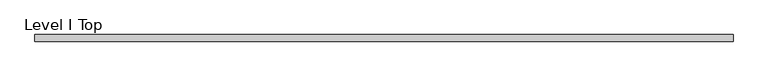
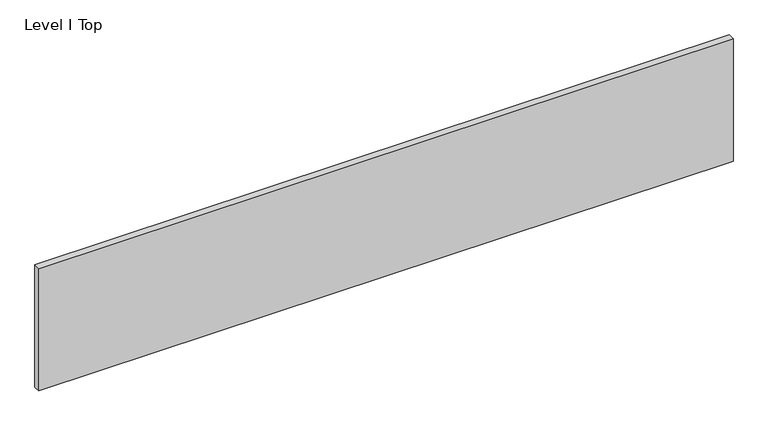
"""IFC4 building model written with IfcOpenShell, lengths in millimetres: proxy geometry, Level I Top."""

from ifc_helpers import new_model, si_unit, frame, origin, place, context, project, spatial, polyline, outline, extrude, source, transform, mapped, element, save


def level_i_top_caefc860(model_context):
    return source(origin(), model_context, "Body", "SweptSolid", [
        extrude(outline(polyline([(1005.8356344, -9.525), (-1005.8356344, -9.525), (-1005.8356344, 9.525), (1005.8356344, 9.525), (1005.8356344, -9.525)])), frame((0.0, 0.0, 3.175), z_axis=(0.0, 0.0, 1.0), x_axis=(1.0, 0.0, 0.0)), (0.0, 0.0, 1.0), 374.65),
    ])


if __name__ == "__main__":
    model = new_model("IFC4")
    model_context = context("Model", 3, world=origin())
    ifc_project = project(units=[si_unit("LENGTHUNIT", "METRE", prefix="MILLI")], contexts=[model_context])
    site = spatial("IfcSite", under=ifc_project)
    building = spatial("IfcBuilding", under=site)
    placement = place(None, origin())
    level_i_top_shape = level_i_top_caefc860(model_context)
    element("IfcBuildingElementProxy", 1, Name="Level I Top", ObjectType="Level I Top", at=placement, inside=building, context=model_context, shape_type="MappedRepresentation", body=[
        mapped(level_i_top_shape, transform((0.0, 0.0, 0.0), x_axis=(1.0, 0.0, 0.0), y_axis=(0.0, 1.0, 0.0), z_axis=(0.0, 0.0, 1.0))),
    ])
    save(model, "model.ifc")
